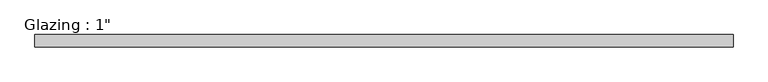
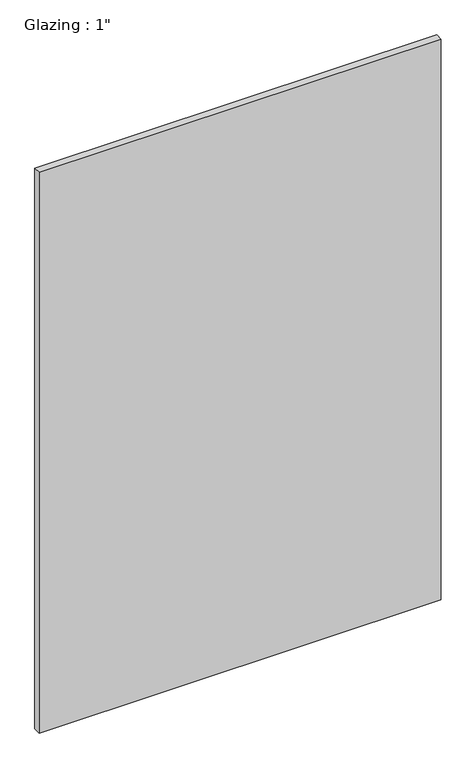
"""IFC4 building model written with IfcOpenShell, lengths in millimetres: plate geometry."""

from ifc_helpers import new_model, si_unit, origin, origin_with_axes, place, context, project, spatial, polyline, outline, extrude, source, transform, mapped, element, save


def plate_f064720e(model_context):
    return source(origin(), model_context, "Body", "SweptSolid", [
        extrude(outline(polyline([(710.5540109, -12.7), (-710.5540109, -12.7), (-710.5540109, 12.7), (710.5540109, 12.7), (710.5540109, -12.7)])), origin_with_axes(), (0.0, 0.0, 1.0), 2094.5430277),
    ])


if __name__ == "__main__":
    model = new_model("IFC4")
    model_context = context("Model", 3, world=origin())
    ifc_project = project(units=[si_unit("LENGTHUNIT", "METRE", prefix="MILLI")], contexts=[model_context])
    site = spatial("IfcSite", under=ifc_project)
    building = spatial("IfcBuilding", under=site)
    placement = place(None, origin())
    plate_shape = plate_f064720e(model_context)
    element("IfcPlate", 1, ObjectType="Glazing : 1\"", at=placement, inside=building, context=model_context, shape_type="MappedRepresentation", body=[
        mapped(plate_shape, transform((0.0, 0.0, 0.0), x_axis=(1.0, 0.0, 0.0), y_axis=(0.0, 1.0, 0.0), z_axis=(0.0, 0.0, 1.0))),
    ])
    save(model, "model.ifc")
